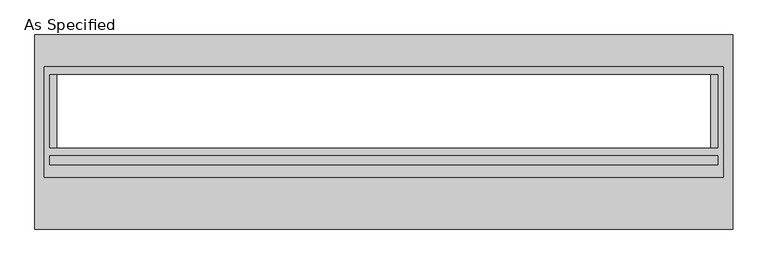
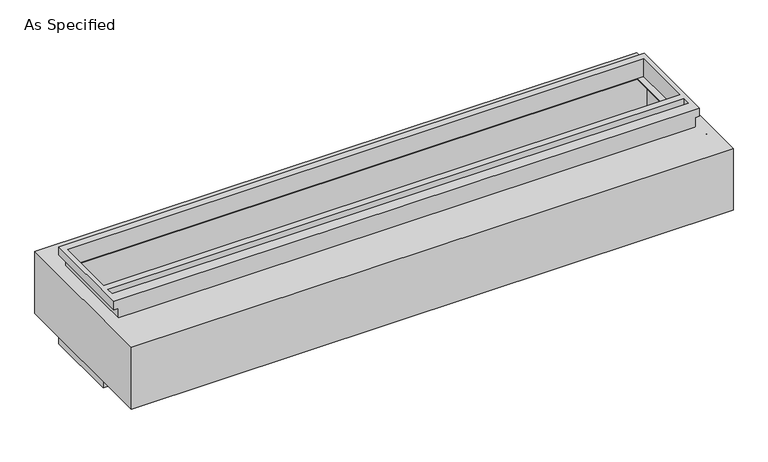
"""IFC4 building model written with IfcOpenShell, lengths in millimetres: proxy geometry, As Specified."""

from ifc_helpers import new_model, si_unit, frame, origin, place, context, project, spatial, polyline, circle_curve, faceted_brep, source, transform, mapped, element, save
from ifc_brep_helpers import plane_surface, revolved_surface, advanced_brep


def as_specified_9d1f205c(model_context):
    return source(origin(), model_context, "Body", "SolidModel", [
        faceted_brep([(2374.9, 456.4558594, -682.625), (2374.9, -165.8441406, -682.625), (-2374.9, -165.8441406, -682.625), (-2374.9, 456.4558594, -682.625), (2336.8, -108.7933661, -682.625), (2336.8, 399.2065905, -682.625), (-2336.8, 399.2065905, -682.625), (-2336.8, -108.7933661, -682.625), (-2339.975, -165.8441406, -530.225), (2339.975, -165.8441406, -530.225), (2339.975, 421.5308594, -530.225), (-2339.975, 421.5308594, -530.225), (2336.8, 399.2065905, -530.225), (2336.8, -108.7933661, -530.225), (-2336.8, -108.7933661, -530.225), (-2336.8, 399.2065905, -530.225), (-2374.9, 456.4558594, -612.8742188), (2374.9, 456.4558594, -612.8742188), (-2374.9, -165.8441406, -612.8742188), (2374.9, -165.8441406, -612.8742188), (2339.975, -165.8441406, -612.8742188), (-2339.975, -165.8441406, -612.8742188), (-2339.975, 421.5308594, -612.8742188), (2339.975, 421.5308594, -612.8742188)], [[[0, 1, 2, 3], [4, 5, 6, 7]], [[8, 9, 10, 11], [12, 13, 14, 15]], [[0, 3, 16, 17]], [[3, 2, 18, 16]], [[2, 1, 19, 20, 9, 8, 21, 18]], [[1, 0, 17, 19]], [[22, 23, 20, 19, 17, 16, 18, 21]], [[23, 10, 9, 20]], [[23, 22, 11, 10]], [[11, 22, 21, 8]], [[12, 5, 4, 13]], [[13, 4, 7, 14]], [[14, 7, 6, 15]], [[5, 12, 15, 6]]]),
        advanced_brep(
        [(2440.78125, 678.7058594, -530.3242188), (2440.78125, -678.7058594, -530.3242188), (-2440.78125, -678.7058594, -530.3242188), (-2440.78125, 678.7058594, -530.3242188), (2286.0, -108.7933661, -530.3242188), (2286.0, 399.2065905, -530.3242188), (-2286.0, 399.2065905, -530.3242188), (-2286.0, -108.7933661, -530.3242188), (2440.78125, 678.7058594, 0.0), (-2440.78125, 678.7058594, 0.0), (-2440.78125, -678.7058594, 0.0), (2440.78125, -678.7058594, 0.0), (2286.0, 399.2065905, 0.0), (2286.0, -108.7933661, 0.0), (-2286.0, -108.7933661, 0.0), (-2286.0, 399.2065905, 0.0), (2440.78125, -318.2441406, -430.3117188), (2440.78125, -340.4691406, -430.3117188), (2440.78125, -216.6441406, -430.3117188), (2440.78125, -238.8691406, -430.3117188), (2440.78125, -318.2441406, -100.1117188), (2440.78125, -340.4691406, -100.1117188), (2440.78125, -216.6441406, -100.1117188), (2440.78125, -238.8691406, -100.1117188), (2374.9, 416.7683594, -527.05), (-2374.9, 416.7683594, -527.05), (-2374.9, -129.3316406, -527.05), (2374.9, -129.3316406, -527.05), (2286.0, 399.2065905, -527.05), (2286.0, -108.7933661, -527.05), (-2286.0, -108.7933661, -527.05), (-2286.0, 399.2065905, -527.05), (2374.9, 416.7683594, -3.175), (2374.9, -129.3316406, -3.175), (-2374.9, -129.3316406, -3.175), (-2374.9, 416.7683594, -3.175), (2286.0, -108.7933661, -3.175), (2286.0, 399.2065905, -3.175), (-2286.0, 399.2065905, -3.175), (-2286.0, -108.7933661, -3.175), (2424.928271, -340.4691406, -430.3117188), (2424.928271, -318.2441406, -430.3117188), (2424.928271, -238.8691406, -430.3117188), (2424.928271, -216.6441406, -430.3117188), (2424.928271, -340.4691406, -100.1117188), (2424.928271, -318.2441406, -100.1117188), (2424.928271, -238.8691406, -100.1117188), (2424.928271, -216.6441406, -100.1117188)],
        [
            (0, 1),
            (1, 2),
            (2, 3),
            (3, 0),
            (4, 5),
            (5, 6),
            (6, 7),
            (7, 4),
            (8, 9),
            (9, 10),
            (10, 11),
            (11, 8),
            (12, 13),
            (13, 14),
            (14, 15),
            (15, 12),
            (3, 9),
            (8, 0),
            (2, 10),
            (1, 11),
            (16, 17, circle_curve(frame((2440.78125, -329.3566406, -430.3117188), z_axis=(-1.0, 0.0, 0.0), x_axis=(0.0, 1.0, 0.0)), 11.1125)),
            (17, 16, circle_curve(frame((2440.78125, -329.3566406, -430.3117188), z_axis=(-1.0, 0.0, 0.0), x_axis=(0.0, 1.0, 0.0)), 11.1125)),
            (18, 19, circle_curve(frame((2440.78125, -227.7566406, -430.3117188), z_axis=(-1.0, 0.0, 0.0), x_axis=(0.0, 1.0, 0.0)), 11.1125)),
            (19, 18, circle_curve(frame((2440.78125, -227.7566406, -430.3117188), z_axis=(-1.0, 0.0, 0.0), x_axis=(0.0, 1.0, 0.0)), 11.1125)),
            (20, 21, circle_curve(frame((2440.78125, -329.3566406, -100.1117188), z_axis=(-1.0, 0.0, 0.0), x_axis=(0.0, 1.0, 0.0)), 11.1125)),
            (21, 20, circle_curve(frame((2440.78125, -329.3566406, -100.1117188), z_axis=(-1.0, 0.0, 0.0), x_axis=(0.0, 1.0, 0.0)), 11.1125)),
            (22, 23, circle_curve(frame((2440.78125, -227.7566406, -100.1117188), z_axis=(-1.0, 0.0, 0.0), x_axis=(0.0, 1.0, 0.0)), 11.1125)),
            (23, 22, circle_curve(frame((2440.78125, -227.7566406, -100.1117188), z_axis=(-1.0, 0.0, 0.0), x_axis=(0.0, 1.0, 0.0)), 11.1125)),
            (24, 25),
            (25, 26),
            (26, 27),
            (27, 24),
            (28, 29),
            (29, 30),
            (30, 31),
            (31, 28),
            (32, 33),
            (33, 34),
            (34, 35),
            (35, 32),
            (36, 37),
            (37, 38),
            (38, 39),
            (39, 36),
            (27, 33),
            (32, 24),
            (26, 34),
            (25, 35),
            (12, 37),
            (36, 13),
            (39, 14),
            (38, 15),
            (40, 41, circle_curve(frame((2424.928271, -329.3566406, -430.3117188), z_axis=(1.0, 0.0, 0.0), x_axis=(0.0, 1.0, 0.0)), 11.1125)),
            (41, 40, circle_curve(frame((2424.928271, -329.3566406, -430.3117188), z_axis=(1.0, 0.0, 0.0), x_axis=(0.0, 1.0, 0.0)), 11.1125)),
            (42, 43, circle_curve(frame((2424.928271, -227.7566406, -430.3117188), z_axis=(1.0, 0.0, 0.0), x_axis=(0.0, 1.0, 0.0)), 11.1125)),
            (43, 42, circle_curve(frame((2424.928271, -227.7566406, -430.3117188), z_axis=(1.0, 0.0, 0.0), x_axis=(0.0, 1.0, 0.0)), 11.1125)),
            (44, 45, circle_curve(frame((2424.928271, -329.3566406, -100.1117188), z_axis=(1.0, 0.0, 0.0), x_axis=(0.0, 1.0, 0.0)), 11.1125)),
            (45, 44, circle_curve(frame((2424.928271, -329.3566406, -100.1117188), z_axis=(1.0, 0.0, 0.0), x_axis=(0.0, 1.0, 0.0)), 11.1125)),
            (46, 47, circle_curve(frame((2424.928271, -227.7566406, -100.1117188), z_axis=(1.0, 0.0, 0.0), x_axis=(0.0, 1.0, 0.0)), 11.1125)),
            (47, 46, circle_curve(frame((2424.928271, -227.7566406, -100.1117188), z_axis=(1.0, 0.0, 0.0), x_axis=(0.0, 1.0, 0.0)), 11.1125)),
            (40, 17),
            (16, 41),
            (42, 19),
            (18, 43),
            (44, 21),
            (20, 45),
            (46, 23),
            (22, 47),
            (4, 29),
            (28, 5),
            (7, 30),
            (6, 31),
        ],
        [
            plane_surface(frame((-2440.78125, 678.7058594, -530.3242188), z_axis=(0.0, 0.0, -1.0), x_axis=(1.0, 0.0, 0.0))),
            plane_surface(frame((-2440.78125, 678.7058594, 0.0), z_axis=(0.0, 0.0, 1.0), x_axis=(-1.0, 0.0, 0.0))),
            plane_surface(frame((2440.78125, 678.7058594, 0.0), z_axis=(0.0, 1.0, 0.0), x_axis=(0.0, 0.0, -1.0))),
            plane_surface(frame((-2440.78125, 678.7058594, 0.0), z_axis=(-1.0, 0.0, 0.0), x_axis=(0.0, 0.0, -1.0))),
            plane_surface(frame((-2440.78125, -678.7058594, 0.0), z_axis=(0.0, -1.0, 0.0), x_axis=(0.0, 0.0, -1.0))),
            plane_surface(frame((2440.78125, -678.7058594, 0.0), z_axis=(1.0, 0.0, 0.0), x_axis=(0.0, 0.0, -1.0))),
            plane_surface(frame((2374.9, 416.7683594, -527.05), z_axis=(0.0, 0.0, 1.0), x_axis=(0.0, -1.0, 0.0))),
            plane_surface(frame((2374.9, 416.7683594, -3.175), z_axis=(0.0, 0.0, -1.0), x_axis=(0.0, 1.0, 0.0))),
            plane_surface(frame((2374.9, 416.7683594, -527.05), z_axis=(-1.0, 0.0, 0.0), x_axis=(0.0, 0.0, 1.0))),
            plane_surface(frame((2374.9, -129.3316406, -527.05), z_axis=(0.0, 1.0, 0.0), x_axis=(0.0, 0.0, 1.0))),
            plane_surface(frame((-2374.9, -129.3316406, -527.05), z_axis=(1.0, 0.0, 0.0), x_axis=(0.0, 0.0, 1.0))),
            plane_surface(frame((-2374.9, 416.7683594, -527.05), z_axis=(0.0, -1.0, 0.0), x_axis=(0.0, 0.0, 1.0))),
            plane_surface(frame((2286.0, 399.2065905, -25.4), z_axis=(-1.0, 0.0, 0.0), x_axis=(0.0, 0.0, 1.0))),
            plane_surface(frame((2286.0, -108.7933661, -25.4), z_axis=(0.0, 1.0, 0.0), x_axis=(0.0, 0.0, 1.0))),
            plane_surface(frame((-2286.0, -108.7933661, -25.4), z_axis=(1.0, 0.0, 0.0), x_axis=(0.0, 0.0, 1.0))),
            plane_surface(frame((-2286.0, 399.2065905, -25.4), z_axis=(0.0, -1.0, 0.0), x_axis=(0.0, 0.0, 1.0))),
            plane_surface(frame((2424.928271, -318.2441406, -430.3117188), z_axis=(1.0, 0.0, 0.0), x_axis=(0.0, 0.0, -1.0))),
            revolved_surface(polyline([(2440.78125, -318.2441406, -430.3117188), (2424.928271, -318.2441406, -430.3117188)]), (2424.928271, -329.3566406, -430.3117188), (1.0, 0.0, 0.0)),
            revolved_surface(polyline([(2440.78125, -216.6441406, -430.3117188), (2424.928271, -216.6441406, -430.3117188)]), (0.0, -227.7566406, -430.3117188), (1.0, 0.0, 0.0)),
            revolved_surface(polyline([(2440.78125, -318.2441406, -100.1117187), (2424.928271, -318.2441406, -100.1117187)]), (0.0, -329.3566406, -100.1117187), (1.0, 0.0, 0.0)),
            revolved_surface(polyline([(2440.78125, -216.6441406, -100.1117188), (2424.928271, -216.6441406, -100.1117188)]), (0.0, -227.7566406, -100.1117188), (1.0, 0.0, 0.0)),
            plane_surface(frame((2286.0, -108.7933661, -504.9242188), z_axis=(-1.0, 0.0, 0.0), x_axis=(0.0, 0.0, -1.0))),
            plane_surface(frame((-2286.0, -108.7933661, -504.9242188), z_axis=(0.0, 1.0, 0.0), x_axis=(0.0, 0.0, -1.0))),
            plane_surface(frame((-2286.0, 399.2065905, -504.9242188), z_axis=(1.0, 0.0, 0.0), x_axis=(0.0, 0.0, -1.0))),
            plane_surface(frame((2286.0, 399.2065905, -504.9242188), z_axis=(0.0, -1.0, 0.0), x_axis=(0.0, 0.0, -1.0))),
        ],
        [
            (0, [[1, 2, 3, 4], [5, 6, 7, 8]]),
            (1, [[9, 10, 11, 12], [13, 14, 15, 16]]),
            (2, [[-4, 17, -9, 18]]),
            (3, [[-3, 19, -10, -17]]),
            (4, [[-2, 20, -11, -19]]),
            (5, [[-1, -18, -12, -20], [21, 22], [23, 24], [25, 26], [27, 28]]),
            (6, [[29, 30, 31, 32], [33, 34, 35, 36]]),
            (7, [[37, 38, 39, 40], [41, 42, 43, 44]]),
            (8, [[-32, 45, -37, 46]]),
            (9, [[-31, 47, -38, -45]]),
            (10, [[-30, 48, -39, -47]]),
            (11, [[-29, -46, -40, -48]]),
            (12, [[49, -41, 50, -13]]),
            (13, [[-50, -44, 51, -14]]),
            (14, [[-51, -43, 52, -15]]),
            (15, [[-49, -16, -52, -42]]),
            (16, [[53, 54]]),
            (16, [[55, 56]]),
            (16, [[57, 58]]),
            (16, [[59, 60]]),
            (17, [[-53, 61, -21, 62]]),
            (17, [[-54, -62, -22, -61]]),
            (18, [[-55, 63, -23, 64]]),
            (18, [[-56, -64, -24, -63]]),
            (19, [[-57, 65, -25, 66]]),
            (19, [[-58, -66, -26, -65]]),
            (20, [[-59, 67, -27, 68]]),
            (20, [[-60, -68, -28, -67]]),
            (21, [[69, -33, 70, -5]]),
            (22, [[-69, -8, 71, -34]]),
            (23, [[-71, -7, 72, -35]]),
            (24, [[-72, -6, -70, -36]]),
        ],
    ),
        faceted_brep([(2374.9, 456.4558594, 152.4), (-2374.9, 456.4558594, 152.4), (-2374.9, -318.2441406, 152.4), (2374.9, -318.2441406, 152.4), (2336.8, 399.2065905, 152.4), (2336.8, -108.7933661, 152.4), (-2336.8, -108.7933661, 152.4), (-2336.8, 399.2065905, 152.4), (2336.8, -167.4316406, 152.4), (2336.8, -227.7566406, 152.4), (-2336.8, -227.7566406, 152.4), (-2336.8, -167.4316406, 152.4), (2339.975, -318.2441406, 0.0), (-2339.975, -318.2441406, 0.0), (-2339.975, 421.5308594, 0.0), (2339.975, 421.5308594, 0.0), (2336.8, -108.7933661, 0.0), (2336.8, 399.2065905, 0.0), (-2336.8, 399.2065905, 0.0), (-2336.8, -108.7933661, 0.0), (2374.9, 456.4558594, 82.55), (-2374.9, 456.4558594, 82.55), (-2374.9, -318.2441406, 82.55), (-2339.975, -318.2441406, 82.55), (2339.975, -318.2441406, 82.55), (2374.9, -318.2441406, 82.55), (2339.975, 421.5308594, 82.55), (-2339.975, 421.5308594, 82.55), (2336.8, -167.4316406, 82.55), (-2336.8, -167.4316406, 82.55), (-2336.8, -227.7566406, 82.55), (2336.8, -227.7566406, 82.55)], [[[0, 1, 2, 3], [4, 5, 6, 7], [8, 9, 10, 11]], [[12, 13, 14, 15], [16, 17, 18, 19]], [[1, 0, 20, 21]], [[2, 1, 21, 22]], [[3, 2, 22, 23, 13, 12, 24, 25]], [[0, 3, 25, 20]], [[24, 26, 27, 23, 22, 21, 20, 25]], [[26, 24, 12, 15]], [[27, 26, 15, 14]], [[23, 27, 14, 13]], [[16, 5, 4, 17]], [[5, 16, 19, 6]], [[6, 19, 18, 7]], [[17, 4, 7, 18]], [[28, 29, 30, 31]], [[28, 31, 9, 8]], [[31, 30, 10, 9]], [[30, 29, 11, 10]], [[29, 28, 8, 11]]]),
    ])


if __name__ == "__main__":
    model = new_model("IFC4")
    model_context = context("Model", 3, world=origin())
    ifc_project = project(units=[si_unit("LENGTHUNIT", "METRE", prefix="MILLI")], contexts=[model_context])
    site = spatial("IfcSite", under=ifc_project)
    building = spatial("IfcBuilding", under=site)
    placement = place(None, origin())
    as_specified_shape = as_specified_9d1f205c(model_context)
    element("IfcBuildingElementProxy", 1, Name="As Specified", ObjectType="As Specified", at=placement, inside=building, context=model_context, shape_type="MappedRepresentation", body=[
        mapped(as_specified_shape, transform((0.0, 0.0, 0.0), x_axis=(1.0, 0.0, 0.0), y_axis=(0.0, 1.0, 0.0), z_axis=(0.0, 0.0, 1.0))),
    ])
    save(model, "model.ifc")
